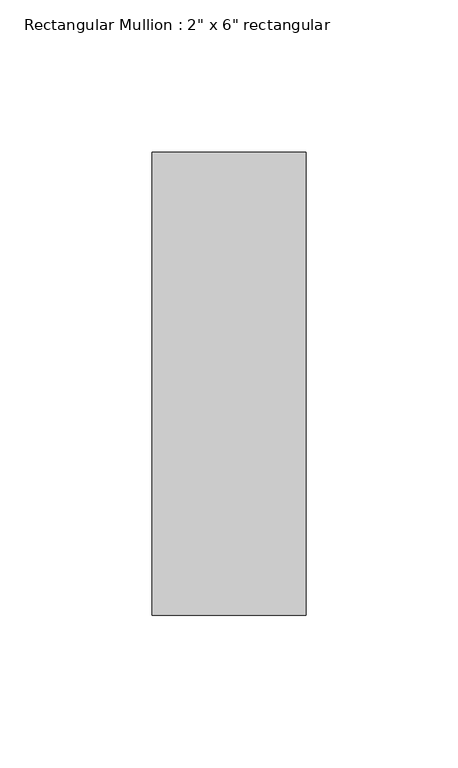
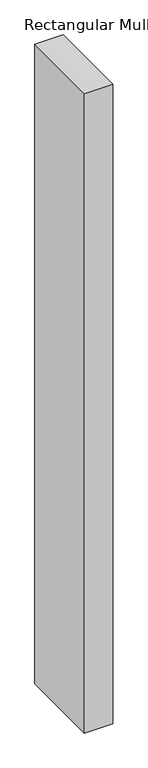
"""IFC4 building model written with IfcOpenShell, lengths in millimetres: member geometry."""

from ifc_helpers import new_model, si_unit, frame, origin, place, context, project, spatial, polyline, outline, extrude, source, transform, mapped, element, save


def member_ad8fcaa1(model_context):
    return source(origin(), model_context, "Body", "SweptSolid", [
        extrude(outline(polyline([(25.4, 76.2), (25.4, -76.2), (-25.4, -76.2), (-25.4, 76.2), (25.4, 76.2)])), frame((0.0, 0.0, -1202.2666667), z_axis=(0.0, 0.0, 1.0), x_axis=(1.0, 0.0, 0.0)), (0.0, 0.0, 1.0), 1202.2666667),
    ])


if __name__ == "__main__":
    model = new_model("IFC4")
    model_context = context("Model", 3, world=origin())
    ifc_project = project(units=[si_unit("LENGTHUNIT", "METRE", prefix="MILLI")], contexts=[model_context])
    site = spatial("IfcSite", under=ifc_project)
    building = spatial("IfcBuilding", under=site)
    placement = place(None, origin())
    member_shape = member_ad8fcaa1(model_context)
    element("IfcMember", 1, ObjectType="Rectangular Mullion : 2\" x 6\" rectangular", at=placement, inside=building, context=model_context, shape_type="MappedRepresentation", body=[
        mapped(member_shape, transform((0.0, 0.0, 0.0), x_axis=(1.0, 0.0, 0.0), y_axis=(0.0, 1.0, 0.0), z_axis=(0.0, 0.0, 1.0))),
    ])
    save(model, "model.ifc")
